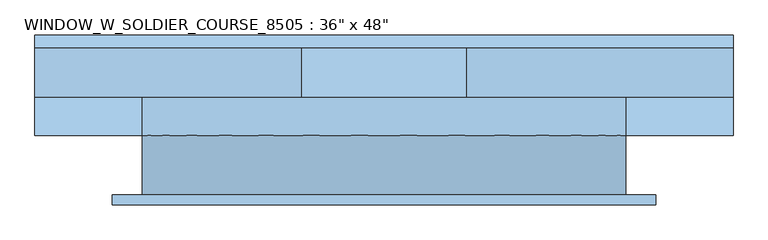
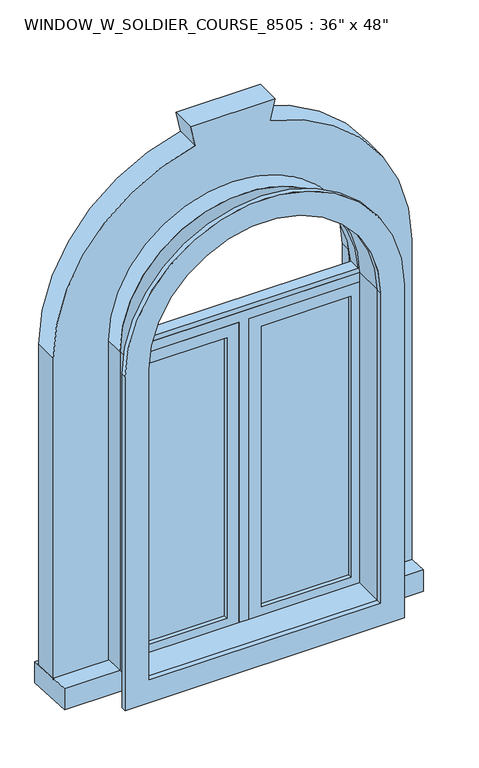
"""IFC4 building model written with IfcOpenShell, lengths in millimetres: window geometry."""

from ifc_helpers import new_model, si_unit, point, frame, frame_2d, origin, place, context, project, spatial, polyline, circle_curve, trimmed, segment, composite_curve, outline, extrude, source, transform, mapped, element, save


def window_8f14186f(model_context):
    return source(origin(), model_context, "Body", "SweptSolid", [
        extrude(outline(composite_curve([segment(polyline([(2152.65, -506.3478419), (857.25, -506.3478419), (857.25, 522.3521581), (2152.65, 522.3521581)]), True, "CONTINUOUS"), segment(trimmed(circle_curve(frame_2d((2152.65, 8.0021581)), 514.35), [point((2152.65, 522.3521581))], [point((2152.65, -506.3478419))], False, "CARTESIAN"), True, "CONTINUOUS")], self_intersect=False), holes=[composite_curve([segment(trimmed(circle_curve(frame_2d((2152.65, 8.0021581)), 425.45), [point((2152.65, -417.4478419))], [point((2152.65, 433.4521581))], True, "CARTESIAN"), True, "CONTINUOUS"), segment(polyline([(2152.65, 433.4521581), (946.15, 433.4521581), (946.15, -417.4478419), (2152.65, -417.4478419)]), True, "CONTINUOUS")], self_intersect=False)]), frame((0.0, -119.05, 0.0), z_axis=(0.0, 1.0, 0.0), x_axis=(0.0, 0.0, 1.0)), (0.0, 0.0, 1.0), 19.05),
        extrude(outline(composite_curve([segment(trimmed(circle_curve(frame_2d((2152.65, 8.0021581)), 438.15), [point((2152.65, 446.1521581))], [point((2152.65, -430.1478419))], False, "CARTESIAN"), True, "CONTINUOUS"), segment(polyline([(2152.65, -430.1478419), (2152.65, 446.1521581)]), True, "CONTINUOUS")], self_intersect=False), holes=[composite_curve([segment(polyline([(2171.6999995, 426.7845698), (2171.6999995, -410.7802537)]), True, "CONTINUOUS"), segment(trimmed(circle_curve(frame_2d((2152.65, 8.0021581)), 419.2154707), [point((2171.6999995, -410.7802537))], [point((2171.6999995, 426.7845698))], True, "CARTESIAN"), True, "CONTINUOUS")], self_intersect=False)]), frame((0.0, 12.7, 0.0), z_axis=(0.0, 1.0, 0.0), x_axis=(0.0, 0.0, 1.0)), (0.0, 0.0, 1.0), 44.45),
        extrude(outline(composite_curve([segment(polyline([(914.4, -449.1978419), (914.4, 465.2021581), (2152.65, 465.2021581)]), True, "CONTINUOUS"), segment(trimmed(circle_curve(frame_2d((2152.65, 8.0021581)), 457.2), [point((2152.65, 465.2021581))], [point((2152.65, -449.1978419))], False, "CARTESIAN"), True, "CONTINUOUS"), segment(polyline([(2152.65, -449.1978419), (914.4, -449.1978419)]), True, "CONTINUOUS")], self_intersect=False), holes=[composite_curve([segment(polyline([(933.45, -430.1478419), (2152.65, -430.1478419)]), True, "CONTINUOUS"), segment(trimmed(circle_curve(frame_2d((2152.65, 8.0021581)), 438.15), [point((2152.65, -430.1478419))], [point((2152.65, 446.1521581))], True, "CARTESIAN"), True, "CONTINUOUS"), segment(polyline([(2152.65, 446.1521581), (933.45, 446.1521581), (933.45, -430.1478419)]), True, "CONTINUOUS")], self_intersect=False)]), frame((0.0, 12.7, 0.0), z_axis=(0.0, 1.0, 0.0), x_axis=(0.0, 0.0, 1.0)), (0.0, 0.0, 1.0), 87.3),
        extrude(outline(polyline([(71.5021581, 41.275), (401.7021581, 41.275), (401.7021581, 28.575), (71.5021581, 28.575), (71.5021581, 41.275)])), frame((0.0, 0.0, 977.9), z_axis=(0.0, 0.0, 1.0), x_axis=(1.0, 0.0, 0.0)), (0.0, 0.0, 1.0), 1092.2),
        extrude(outline(polyline([(2114.55, 27.0521581), (933.45, 27.0521581), (933.45, 446.1521581), (2114.55, 446.1521581), (2114.55, 27.0521581)]), holes=[polyline([(2070.1, 71.5021581), (2070.1, 401.7021581), (977.9, 401.7021581), (977.9, 71.5021581), (2070.1, 71.5021581)])]), frame((0.0, 12.7, 0.0), z_axis=(0.0, 1.0, 0.0), x_axis=(0.0, 0.0, 1.0)), (0.0, 0.0, 1.0), 44.45),
        extrude(outline(polyline([(933.45, -11.0478419), (933.45, 27.0521581), (2114.55, 27.0521581), (2114.55, 446.1521581), (2152.65, 446.1521581), (2152.65, -430.1478419), (2114.55, -430.1478419), (2114.55, -11.0478419), (933.45, -11.0478419)])), frame((0.0, 12.7, 0.0), z_axis=(0.0, 1.0, 0.0), x_axis=(0.0, 0.0, 1.0)), (0.0, 0.0, 1.0), 63.5),
        extrude(outline(polyline([(-519.0478419, 101.6), (535.0521581, 101.6), (535.0521581, 100.0), (-519.0478419, 100.0), (-519.0478419, 101.6)])), frame((0.0, 0.0, 914.4), z_axis=(0.0, 0.0, 1.0), x_axis=(1.0, 0.0, 0.0)), (0.0, 0.0, 1.0), 19.05),
        extrude(outline(polyline([(-55.4978419, 28.575), (-385.6978419, 28.575), (-385.6978419, 41.275), (-55.4978419, 41.275), (-55.4978419, 28.575)])), frame((0.0, 0.0, 977.9), z_axis=(0.0, 0.0, 1.0), x_axis=(1.0, 0.0, 0.0)), (0.0, 0.0, 1.0), 1092.2),
        extrude(outline(polyline([(2114.55, -430.1478419), (933.45, -430.1478419), (933.45, -11.0478419), (2114.55, -11.0478419), (2114.55, -430.1478419)]), holes=[polyline([(2070.1, -385.6978419), (2070.1, -55.4978419), (977.9, -55.4978419), (977.9, -385.6978419), (2070.1, -385.6978419)])]), frame((0.0, 12.7, 0.0), z_axis=(0.0, 1.0, 0.0), x_axis=(0.0, 0.0, 1.0)), (0.0, 0.0, 1.0), 44.45),
        extrude(outline(composite_curve([segment(polyline([(914.4, 465.2021581), (2152.65, 465.2021581)]), True, "CONTINUOUS"), segment(trimmed(circle_curve(frame_2d((2152.65, 8.0021581)), 457.2), [point((2152.65, 465.2021581))], [point((2152.65, -449.1978419))], False, "CARTESIAN"), True, "CONTINUOUS"), segment(polyline([(2152.65, -449.1978419), (914.4, -449.1978419), (914.4, 465.2021581)]), True, "CONTINUOUS")], self_intersect=False), holes=[composite_curve([segment(polyline([(946.15, 433.4521581), (946.15, -417.4478419), (2152.65, -417.4478419)]), True, "CONTINUOUS"), segment(trimmed(circle_curve(frame_2d((2152.65, 8.0021581)), 425.45), [point((2152.65, -417.4478419))], [point((2152.65, 433.4521581))], True, "CARTESIAN"), True, "CONTINUOUS"), segment(polyline([(2152.65, 433.4521581), (946.15, 433.4521581)]), True, "CONTINUOUS")], self_intersect=False)]), frame((0.0, -100.0, 0.0), z_axis=(0.0, 1.0, 0.0), x_axis=(0.0, 0.0, 1.0)), (0.0, 0.0, 1.0), 112.7),
        extrude(outline(polyline([(12.7, 913.0688424), (203.2, 903.0851605), (203.2, 820.5351605), (12.7, 830.5188424), (12.7, 913.0688424)])), frame((-652.3978419, 0.0, 0.0), z_axis=(1.0, 0.0, 0.0), x_axis=(0.0, 1.0, 0.0)), (0.0, 0.0, 1.0), 1320.8),
        extrude(outline(composite_curve([segment(polyline([(904.7491074, 465.2021581), (904.7491074, 668.4021581), (2152.65, 668.4021581)]), True, "CONTINUOUS"), segment(trimmed(circle_curve(frame_2d((2152.65, 8.0021581)), 660.4), [point((2152.65, 668.4021581))], [point((2798.3681062, 146.4806306))], False, "CARTESIAN"), True, "CONTINUOUS"), segment(polyline([(2798.3681062, 146.4806306), (2878.2880453, 163.6199844), (2878.2880453, -147.6156682), (2798.3681062, -130.4763144)]), True, "CONTINUOUS"), segment(trimmed(circle_curve(frame_2d((2152.65, 8.0021581)), 660.4), [point((2798.3681062, -130.4763144))], [point((2152.65, -652.3978419))], False, "CARTESIAN"), True, "CONTINUOUS"), segment(polyline([(2152.65, -652.3978419), (903.0851605, -652.3978419), (903.0851605, -449.1978419), (2152.65, -449.1978419)]), True, "CONTINUOUS"), segment(trimmed(circle_curve(frame_2d((2152.65, 8.0021581)), 457.2), [point((2152.65, -449.1978419))], [point((2152.65, 465.2021581))], True, "CARTESIAN"), True, "CONTINUOUS"), segment(polyline([(2152.65, 465.2021581), (904.7491074, 465.2021581)]), True, "CONTINUOUS")], self_intersect=False)), frame((0.0, 85.725, 0.0), z_axis=(0.0, 1.0, 0.0), x_axis=(0.0, 0.0, 1.0)), (0.0, 0.0, 1.0), 92.075),
    ])


if __name__ == "__main__":
    model = new_model("IFC4")
    model_context = context("Model", 3, world=origin())
    ifc_project = project(units=[si_unit("LENGTHUNIT", "METRE", prefix="MILLI")], contexts=[model_context])
    site = spatial("IfcSite", under=ifc_project)
    building = spatial("IfcBuilding", under=site)
    placement = place(None, origin())
    window_shape = window_8f14186f(model_context)
    element("IfcWindow", 1, ObjectType="WINDOW_W_SOLDIER_COURSE_8505 : 36\" x 48\"", at=placement, inside=building, context=model_context, shape_type="MappedRepresentation", body=[
        mapped(window_shape, transform((0.0, 0.0, 0.0), x_axis=(1.0, 0.0, 0.0), y_axis=(0.0, 1.0, 0.0), z_axis=(0.0, 0.0, 1.0))),
    ])
    save(model, "model.ifc")
